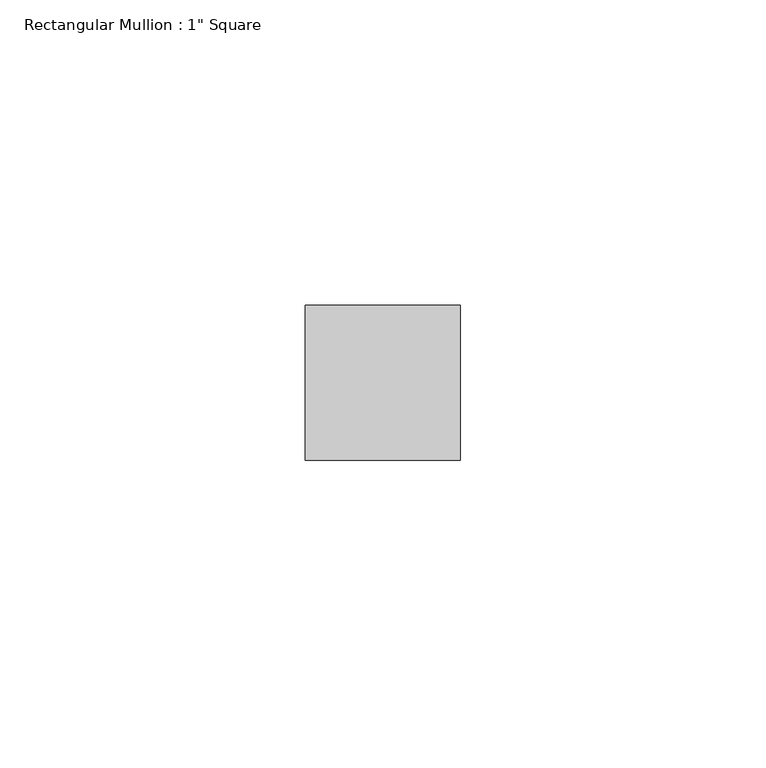
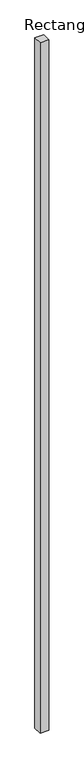
"""IFC4 building model written with IfcOpenShell, lengths in millimetres: member geometry."""

from ifc_helpers import new_model, si_unit, frame, origin, place, context, project, spatial, polyline, outline, extrude, source, transform, mapped, element, save


def member_72a5e75d(model_context):
    return source(origin(), model_context, "Body", "SweptSolid", [
        extrude(outline(polyline([(12.7, 12.7), (12.7, -12.7), (-12.7, -12.7), (-12.7, 12.7), (12.7, 12.7)])), frame((0.0, 0.0, -2098.675), z_axis=(0.0, 0.0, 1.0), x_axis=(1.0, 0.0, 0.0)), (0.0, 0.0, 1.0), 2098.675),
    ])


if __name__ == "__main__":
    model = new_model("IFC4")
    model_context = context("Model", 3, world=origin())
    ifc_project = project(units=[si_unit("LENGTHUNIT", "METRE", prefix="MILLI")], contexts=[model_context])
    site = spatial("IfcSite", under=ifc_project)
    building = spatial("IfcBuilding", under=site)
    placement = place(None, origin())
    member_shape = member_72a5e75d(model_context)
    element("IfcMember", 1, ObjectType="Rectangular Mullion : 1\" Square", at=placement, inside=building, context=model_context, shape_type="MappedRepresentation", body=[
        mapped(member_shape, transform((0.0, 0.0, 0.0), x_axis=(1.0, 0.0, 0.0), y_axis=(0.0, 1.0, 0.0), z_axis=(0.0, 0.0, 1.0))),
    ])
    save(model, "model.ifc")
